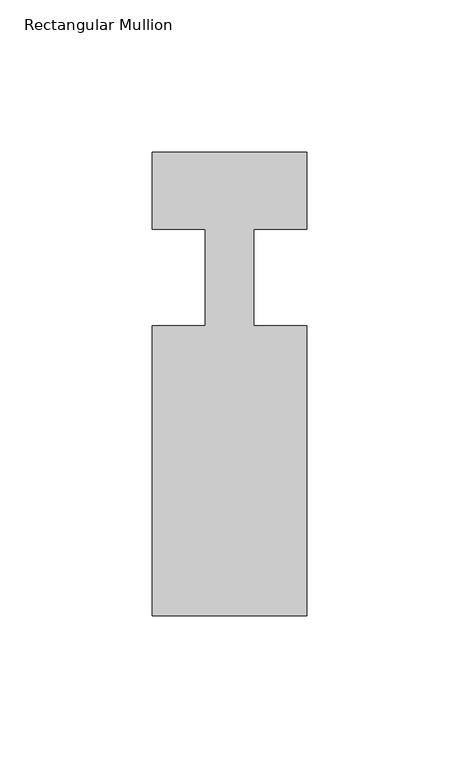
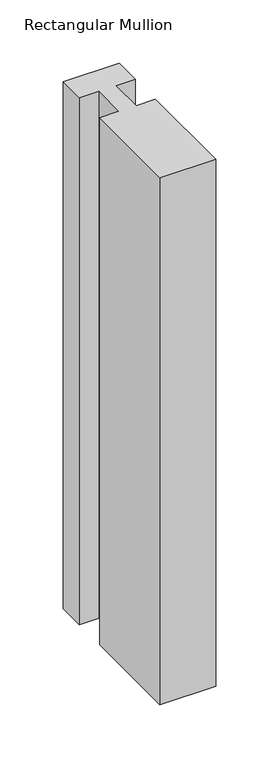
"""IFC4 building model written with IfcOpenShell, lengths in millimetres: member geometry, Rectangular Mullion."""

from ifc_helpers import new_model, si_unit, frame, origin, place, context, project, spatial, polyline, outline, extrude, source, transform, mapped, element, save


def rectangular_mullion_bc83ff17(model_context):
    return source(origin(), model_context, "Body", "SweptSolid", [
        extrude(outline(polyline([(25.4, -152.4), (-25.4, -152.4), (-25.4, -57.15), (-7.9502, -57.15), (-7.9502, -25.4), (-25.4, -25.4), (-25.4, 0.0), (25.4, 0.0), (25.4, -25.4), (7.9502, -25.4), (7.9502, -57.15), (25.4, -57.15), (25.4, -152.4)])), frame((0.0, 0.0, -508.0), z_axis=(0.0, 0.0, 1.0), x_axis=(1.0, 0.0, 0.0)), (0.0, 0.0, 1.0), 508.0),
    ])


if __name__ == "__main__":
    model = new_model("IFC4")
    model_context = context("Model", 3, world=origin())
    ifc_project = project(units=[si_unit("LENGTHUNIT", "METRE", prefix="MILLI")], contexts=[model_context])
    site = spatial("IfcSite", under=ifc_project)
    building = spatial("IfcBuilding", under=site)
    placement = place(None, origin())
    rectangular_mullion_shape = rectangular_mullion_bc83ff17(model_context)
    element("IfcMember", 1, ObjectType="Rectangular Mullion", at=placement, inside=building, context=model_context, shape_type="MappedRepresentation", body=[
        mapped(rectangular_mullion_shape, transform((0.0, 0.0, 0.0), x_axis=(1.0, 0.0, 0.0), y_axis=(0.0, 1.0, 0.0), z_axis=(0.0, 0.0, 1.0))),
    ])
    save(model, "model.ifc")
